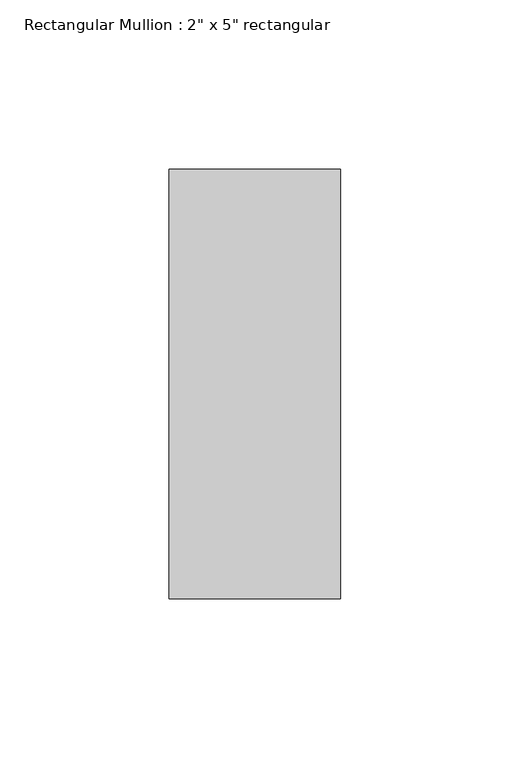
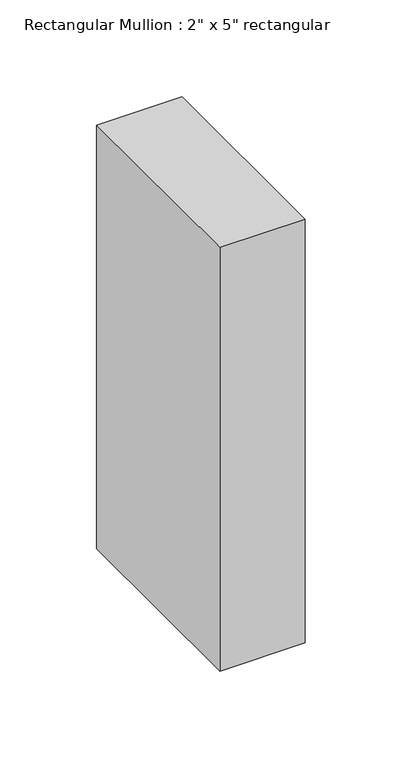
"""IFC4 building model written with IfcOpenShell, lengths in millimetres: member geometry."""

from ifc_helpers import new_model, si_unit, frame, origin, place, context, project, spatial, polyline, outline, extrude, source, transform, mapped, element, save


def member_f5f3df63(model_context):
    return source(origin(), model_context, "Body", "SweptSolid", [
        extrude(outline(polyline([(25.4, 63.5), (25.4, -63.5), (-25.4, -63.5), (-25.4, 63.5), (25.4, 63.5)])), frame((0.0, 0.0, -266.7), z_axis=(0.0, 0.0, 1.0), x_axis=(1.0, 0.0, 0.0)), (0.0, 0.0, 1.0), 266.7),
    ])


if __name__ == "__main__":
    model = new_model("IFC4")
    model_context = context("Model", 3, world=origin())
    ifc_project = project(units=[si_unit("LENGTHUNIT", "METRE", prefix="MILLI")], contexts=[model_context])
    site = spatial("IfcSite", under=ifc_project)
    building = spatial("IfcBuilding", under=site)
    placement = place(None, origin())
    member_shape = member_f5f3df63(model_context)
    element("IfcMember", 1, ObjectType="Rectangular Mullion : 2\" x 5\" rectangular", at=placement, inside=building, context=model_context, shape_type="MappedRepresentation", body=[
        mapped(member_shape, transform((0.0, 0.0, 0.0), x_axis=(1.0, 0.0, 0.0), y_axis=(0.0, 1.0, 0.0), z_axis=(0.0, 0.0, 1.0))),
    ])
    save(model, "model.ifc")
